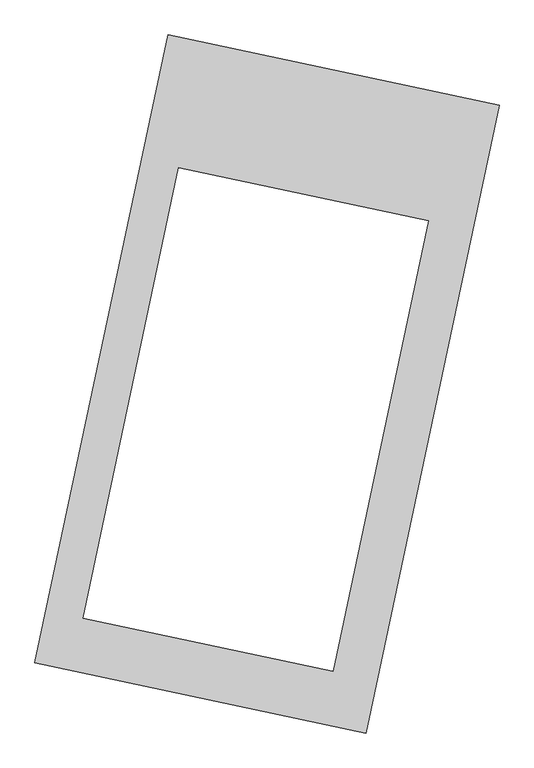
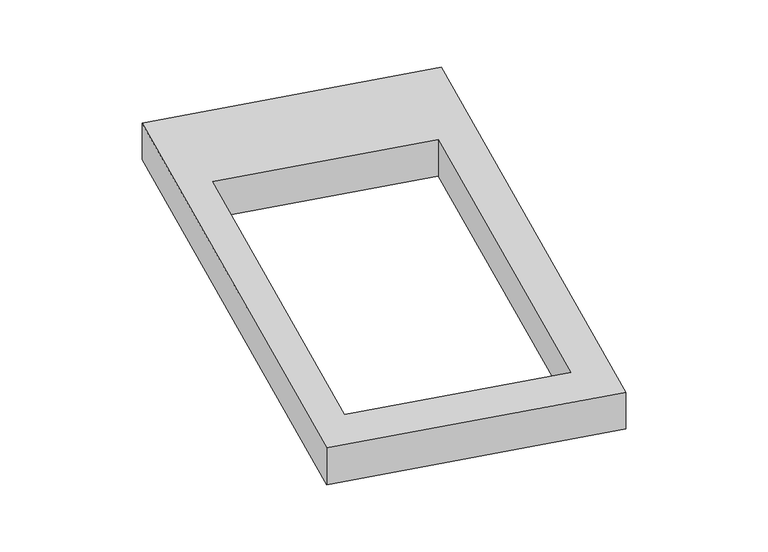
"""IFC4 building model written with IfcOpenShell, lengths in millimetres: proxy geometry."""

from ifc_helpers import new_model, si_unit, origin, origin_with_axes, place, context, project, spatial, polyline, outline, extrude, source, transform, mapped, element, save


def generic_models_f70bc32b(model_context):
    return source(origin(), model_context, "Body", "SweptSolid", [
        extrude(outline(polyline([(-617.3692021, 2175.5580432), (1447.7508745, 1737.3010494), (617.3692021, -2175.5580432), (-1447.7508745, -1737.3010494), (-617.3692021, 2175.5580432)]), holes=[polyline([(1007.7308142, 1015.9132166), (-550.256706, 1346.5472241), (-1145.5091256, -1458.3543289), (412.4783946, -1788.9883364), (1007.7308142, 1015.9132166)])]), origin_with_axes(), (0.0, 0.0, 1.0), 300.0),
    ])


if __name__ == "__main__":
    model = new_model("IFC4")
    model_context = context("Model", 3, world=origin())
    ifc_project = project(units=[si_unit("LENGTHUNIT", "METRE", prefix="MILLI")], contexts=[model_context])
    site = spatial("IfcSite", under=ifc_project)
    building = spatial("IfcBuilding", under=site)
    placement = place(None, origin())
    generic_models_shape = generic_models_f70bc32b(model_context)
    element("IfcBuildingElementProxy", 1, Name="Generic Models", at=placement, inside=building, context=model_context, shape_type="MappedRepresentation", body=[
        mapped(generic_models_shape, transform((0.0, 0.0, 0.0), x_axis=(1.0, 0.0, 0.0), y_axis=(0.0, 1.0, 0.0), z_axis=(0.0, 0.0, 1.0))),
    ])
    save(model, "model.ifc")
